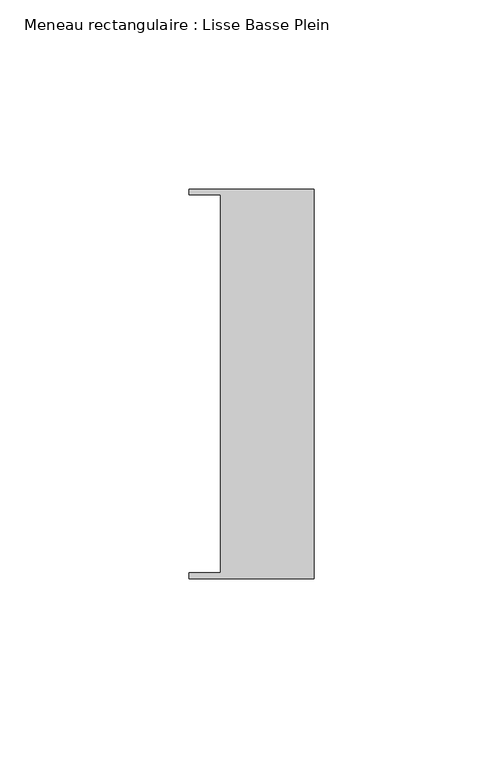
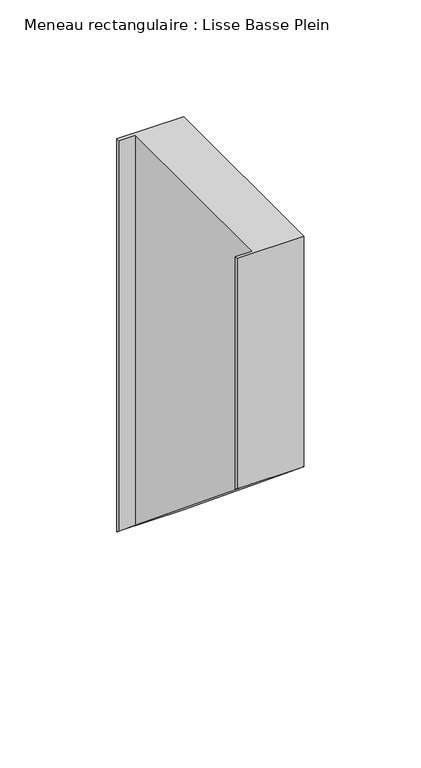
"""IFC4 building model written with IfcOpenShell, lengths in millimetres: member geometry, Meneau rectangulaire : Lisse Basse Plein."""

from ifc_helpers import new_model, si_unit, origin, place, context, project, spatial, faceted_brep, source, transform, mapped, element, save


def meneau_rectangulaire_lisse_basse_plein_d19a4fab(model_context):
    return source(origin(), model_context, "Body", "Brep", [
        faceted_brep([(0.0, -51.5026203, 0.0), (0.0, 51.5026203, 0.0), (-33.0710396, 51.5026203, 0.0), (-33.0710396, 49.9505686, 0.0), (-24.7130865, 49.9505686, 0.0), (-24.7130865, -49.9505686, 0.0), (-33.0710396, -49.9505686, 0.0), (-33.0710396, -51.5026203, 0.0), (0.0, -51.5026203, -120.4172851), (0.0, 51.5026203, -205.3282528), (-33.0710396, 51.5026203, -205.3282528), (-33.0710396, 49.9505686, -204.0488401), (-24.7130865, 49.9505686, -204.0488401), (-24.7130865, -49.9505686, -121.6966977), (-33.0710396, -49.9505686, -121.6966977), (-33.0710396, -51.5026203, -120.4172851)], [[[0, 1, 2, 3, 4, 5, 6, 7]], [[1, 0, 8, 9]], [[2, 1, 9, 10]], [[3, 2, 10, 11]], [[4, 3, 11, 12]], [[5, 4, 12, 13]], [[6, 5, 13, 14]], [[7, 6, 14, 15]], [[0, 7, 15, 8]], [[8, 15, 14, 13, 12, 11, 10, 9]]]),
    ])


if __name__ == "__main__":
    model = new_model("IFC4")
    model_context = context("Model", 3, world=origin())
    ifc_project = project(units=[si_unit("LENGTHUNIT", "METRE", prefix="MILLI")], contexts=[model_context])
    site = spatial("IfcSite", under=ifc_project)
    building = spatial("IfcBuilding", under=site)
    placement = place(None, origin())
    meneau_rectangulaire_lisse_basse_plein_shape = meneau_rectangulaire_lisse_basse_plein_d19a4fab(model_context)
    element("IfcMember", 1, ObjectType="Meneau rectangulaire : Lisse Basse Plein", at=placement, inside=building, context=model_context, shape_type="MappedRepresentation", body=[
        mapped(meneau_rectangulaire_lisse_basse_plein_shape, transform((0.0, 0.0, 0.0), x_axis=(1.0, 0.0, 0.0), y_axis=(0.0, 1.0, 0.0), z_axis=(0.0, 0.0, 1.0))),
    ])
    save(model, "model.ifc")
